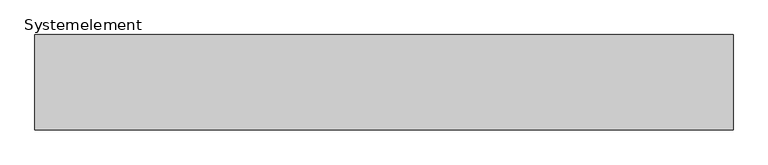
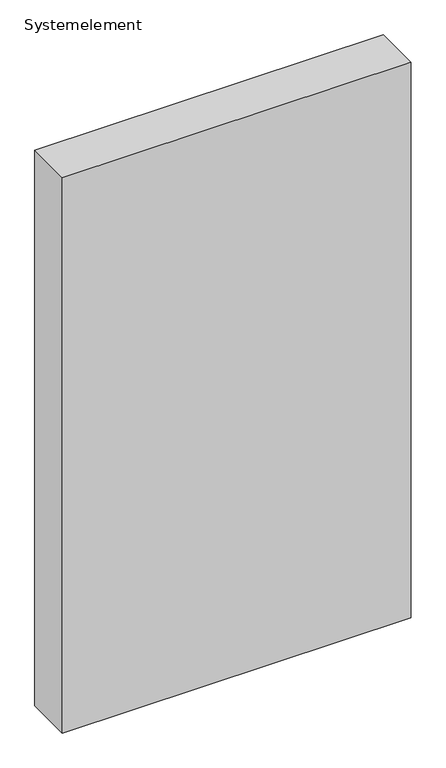
"""IFC4 building model written with IfcOpenShell, lengths in millimetres: plate geometry, Systemelement."""

from ifc_helpers import new_model, si_unit, origin, origin_with_axes, place, context, project, spatial, polyline, outline, extrude, source, transform, mapped, element, save


def systemelement_41011c74(model_context):
    return source(origin(), model_context, "Body", "SweptSolid", [
        extrude(outline(polyline([(550.0, -150.0), (-550.0, -150.0), (-550.0, 0.0), (550.0, 0.0), (550.0, -150.0)])), origin_with_axes(), (0.0, 0.0, 1.0), 1851.6147161),
    ])


if __name__ == "__main__":
    model = new_model("IFC4")
    model_context = context("Model", 3, world=origin())
    ifc_project = project(units=[si_unit("LENGTHUNIT", "METRE", prefix="MILLI")], contexts=[model_context])
    site = spatial("IfcSite", under=ifc_project)
    building = spatial("IfcBuilding", under=site)
    placement = place(None, origin())
    systemelement_shape = systemelement_41011c74(model_context)
    element("IfcPlate", 1, ObjectType="Systemelement", at=placement, inside=building, context=model_context, shape_type="MappedRepresentation", body=[
        mapped(systemelement_shape, transform((0.0, 0.0, 0.0), x_axis=(1.0, 0.0, 0.0), y_axis=(0.0, 1.0, 0.0), z_axis=(0.0, 0.0, 1.0))),
    ])
    save(model, "model.ifc")
